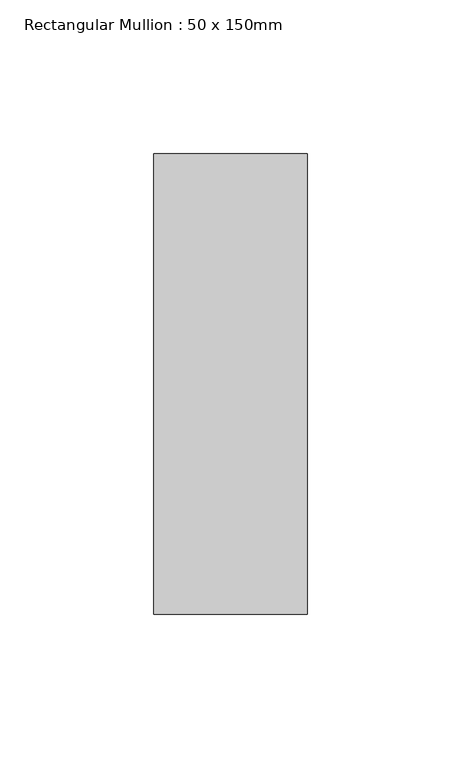
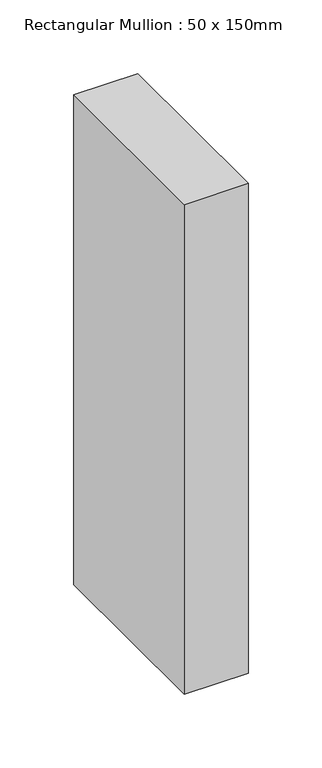
"""IFC4 building model written with IfcOpenShell, lengths in millimetres: member geometry, Rectangular Mullion : 50 x 150mm."""

from ifc_helpers import new_model, si_unit, frame, origin, place, context, project, spatial, polyline, outline, extrude, source, transform, mapped, element, save


def rectangular_mullion_50_x_150mm_92ebbcf0(model_context):
    return source(origin(), model_context, "Body", "SweptSolid", [
        extrude(outline(polyline([(0.0, 75.0), (0.0, -75.0), (-50.0, -75.0), (-50.0, 75.0), (0.0, 75.0)])), frame((0.0, 0.0, -405.6255213), z_axis=(0.0, 0.0, 1.0), x_axis=(1.0, 0.0, 0.0)), (0.0, 0.0, 1.0), 405.6255213),
    ])


if __name__ == "__main__":
    model = new_model("IFC4")
    model_context = context("Model", 3, world=origin())
    ifc_project = project(units=[si_unit("LENGTHUNIT", "METRE", prefix="MILLI")], contexts=[model_context])
    site = spatial("IfcSite", under=ifc_project)
    building = spatial("IfcBuilding", under=site)
    placement = place(None, origin())
    rectangular_mullion_50_x_150mm_shape = rectangular_mullion_50_x_150mm_92ebbcf0(model_context)
    element("IfcMember", 1, ObjectType="Rectangular Mullion : 50 x 150mm", at=placement, inside=building, context=model_context, shape_type="MappedRepresentation", body=[
        mapped(rectangular_mullion_50_x_150mm_shape, transform((0.0, 0.0, 0.0), x_axis=(1.0, 0.0, 0.0), y_axis=(0.0, 1.0, 0.0), z_axis=(0.0, 0.0, 1.0))),
    ])
    save(model, "model.ifc")
